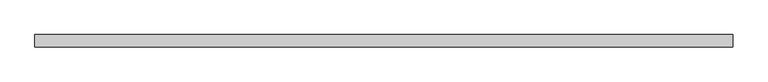
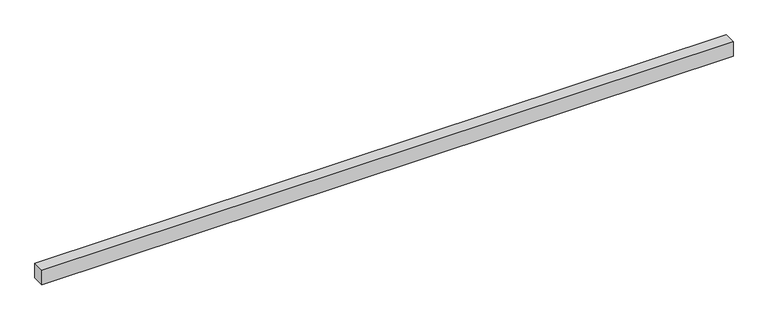
"""IFC4 building model written with IfcOpenShell, lengths in millimetres: proxy geometry."""

from ifc_helpers import new_model, si_unit, frame, origin, place, context, project, spatial, polyline, outline, extrude, source, transform, mapped, element, save


def generic_models_2952b58d(model_context):
    return source(origin(), model_context, "Body", "SweptSolid", [
        extrude(outline(polyline([(40.0, 0.0), (-40.0, 0.0), (-40.0, 4511.341264), (40.0, 4511.341264), (40.0, 0.0)])), frame((4511.341264, 0.0, 0.0), z_axis=(0.0, -1.9783474858313244e-12, 1.0), x_axis=(0.0, 1.0, 1.9783474858313244e-12)), (0.0, 0.0, 1.0), 100.0),
    ])


if __name__ == "__main__":
    model = new_model("IFC4")
    model_context = context("Model", 3, world=origin())
    ifc_project = project(units=[si_unit("LENGTHUNIT", "METRE", prefix="MILLI")], contexts=[model_context])
    site = spatial("IfcSite", under=ifc_project)
    building = spatial("IfcBuilding", under=site)
    placement = place(None, origin())
    generic_models_shape = generic_models_2952b58d(model_context)
    element("IfcBuildingElementProxy", 1, Name="Generic Models", at=placement, inside=building, context=model_context, shape_type="MappedRepresentation", body=[
        mapped(generic_models_shape, transform((0.0, 0.0, 0.0), x_axis=(1.0, 0.0, 0.0), y_axis=(0.0, 1.0, 0.0), z_axis=(0.0, 0.0, 1.0))),
    ])
    save(model, "model.ifc")
